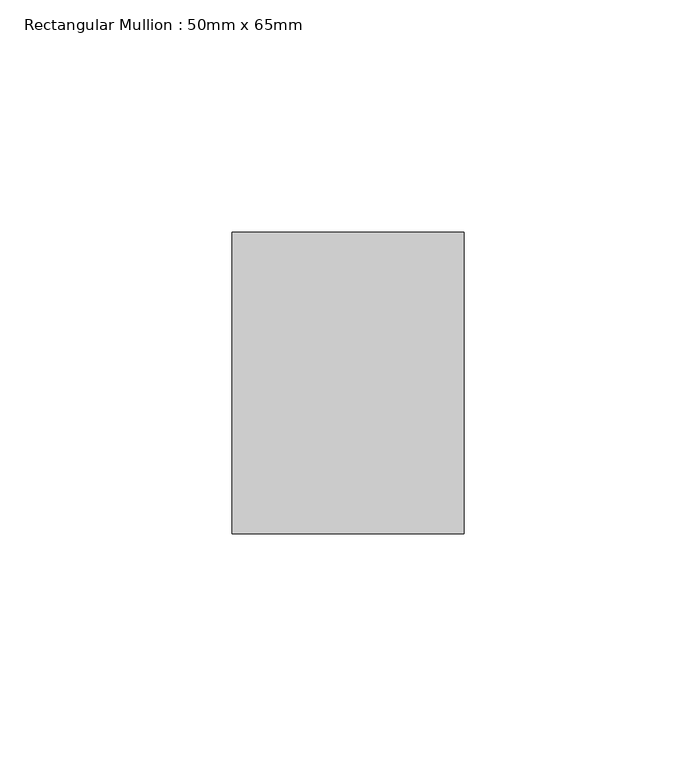
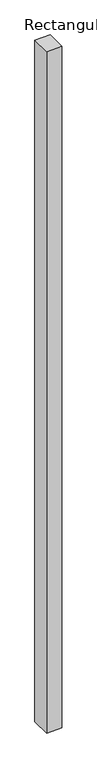
"""IFC4 building model written with IfcOpenShell, lengths in millimetres: member geometry, Rectangular Mullion : 50mm x 65mm."""

from ifc_helpers import new_model, si_unit, frame, origin, place, context, project, spatial, polyline, outline, extrude, source, transform, mapped, element, save


def rectangular_mullion_50mm_x_65mm_dd864aea(model_context):
    return source(origin(), model_context, "Body", "SweptSolid", [
        extrude(outline(polyline([(25.0, 32.5), (25.0, -32.5), (-25.0, -32.5), (-25.0, 32.5), (25.0, 32.5)])), frame((0.0, 0.0, -2332.1772984), z_axis=(0.0, 0.0, 1.0), x_axis=(1.0, 0.0, 0.0)), (0.0, 0.0, 1.0), 2332.1772984),
    ])


if __name__ == "__main__":
    model = new_model("IFC4")
    model_context = context("Model", 3, world=origin())
    ifc_project = project(units=[si_unit("LENGTHUNIT", "METRE", prefix="MILLI")], contexts=[model_context])
    site = spatial("IfcSite", under=ifc_project)
    building = spatial("IfcBuilding", under=site)
    placement = place(None, origin())
    rectangular_mullion_50mm_x_65mm_shape = rectangular_mullion_50mm_x_65mm_dd864aea(model_context)
    element("IfcMember", 1, ObjectType="Rectangular Mullion : 50mm x 65mm", at=placement, inside=building, context=model_context, shape_type="MappedRepresentation", body=[
        mapped(rectangular_mullion_50mm_x_65mm_shape, transform((0.0, 0.0, 0.0), x_axis=(1.0, 0.0, 0.0), y_axis=(0.0, 1.0, 0.0), z_axis=(0.0, 0.0, 1.0))),
    ])
    save(model, "model.ifc")
